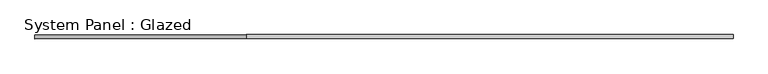
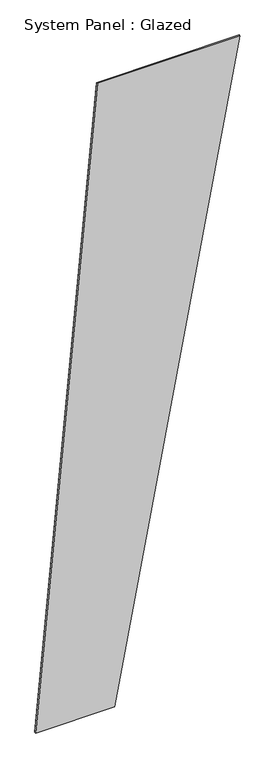
"""IFC4 building model written with IfcOpenShell, lengths in millimetres: plate geometry, System Panel : Glazed."""

import ifcopenshell
import ifcopenshell.guid

model = None  # the IFC model being written
_history = None  # IfcOwnerHistory: only IFC2X3 demands one
_inside = {}  # id of a spatial element -> (the spatial element, [elements in it])
_under = {}  # id of a project, library or spatial element -> (it, [spatial elements below it])
_declared = {}  # id of a project -> (the project, [libraries it declares])
_typed = {}  # id of a type object -> (the type object, [elements of that type])
_made_of = {}  # id of a material, layer set ... -> (it, [elements and type objects made of it])


def new_model(schema):
    """Start an empty IFC model of exactly this schema.

    Asked for "IFC4X3", IfcOpenShell would pick the latest addendum, in which some entities
    have other attributes; the version numbers below select the first issue.
    IFC2X3 requires an IfcOwnerHistory on every rooted entity: one is made here for all.
    """
    global model, _history
    if schema == "IFC4X3":
        model = ifcopenshell.file(schema_version=(4, 3, 0, 0))
    else:
        model = ifcopenshell.file(schema=schema)
    _inside.clear()
    _under.clear()
    _declared.clear()
    _typed.clear()
    _made_of.clear()
    _history = None
    if model.schema == "IFC2X3":
        org = make("IfcOrganization", Name="unknown")
        user = make(
            "IfcPersonAndOrganization",
            ThePerson=make("IfcPerson", FamilyName="unknown"),
            TheOrganization=org,
        )
        app = make(
            "IfcApplication",
            ApplicationDeveloper=org,
            Version="unknown",
            ApplicationFullName="unknown",
            ApplicationIdentifier="unknown",
        )
        _history = make(
            "IfcOwnerHistory",
            OwningUser=user,
            OwningApplication=app,
            ChangeAction="ADDED",
            CreationDate=0,
        )
    return model


def make(cls, **values):
    """One entity of the class cls with the attributes given. An attribute that is None is left unset."""
    return model.create_entity(
        cls, **{name: value for name, value in values.items() if value is not None}
    )


def rooted(cls, **values):
    """An entity with a GlobalId (a new one), such as an element, a storey or a relation."""
    return make(cls, GlobalId=ifcopenshell.guid.new(), OwnerHistory=_history, **values)


def si_unit(unit_type, name, prefix=None):
    """IfcSIUnit, for example si_unit("LENGTHUNIT", "METRE", prefix="MILLI")."""
    return make("IfcSIUnit", UnitType=unit_type, Prefix=prefix, Name=name)


def assignment(units):
    """IfcUnitAssignment: the units of a project."""
    return None if units is None else make("IfcUnitAssignment", Units=units)


def point(xyz):
    """IfcCartesianPoint."""
    return None if xyz is None else make("IfcCartesianPoint", Coordinates=xyz)


def direction(xyz):
    """IfcDirection."""
    return None if xyz is None else make("IfcDirection", DirectionRatios=xyz)


def frame(location, z_axis=None, x_axis=None):
    """IfcAxis2Placement3D, a coordinate frame: its origin and axes. An axis left out is left unset."""
    return make(
        "IfcAxis2Placement3D",
        Location=point(location),
        Axis=direction(z_axis),
        RefDirection=direction(x_axis),
    )


def origin():
    """The frame at (0, 0, 0) with its axes left unset."""
    return frame((0.0, 0.0, 0.0))


def place(relative_to, where):
    """IfcLocalPlacement: puts the frame where relative to a parent placement (None: the world)."""
    return make(
        "IfcLocalPlacement", PlacementRelTo=relative_to, RelativePlacement=where
    )


def context(
    kind, dimensions, precision=None, world=None, true_north=None, identifier=None
):
    """IfcGeometricRepresentationContext, for example the 3D "Model" context."""
    return make(
        "IfcGeometricRepresentationContext",
        ContextIdentifier=identifier,
        ContextType=kind,
        CoordinateSpaceDimension=dimensions,
        Precision=precision,
        WorldCoordinateSystem=world,
        TrueNorth=true_north,
    )


def project(units=None, contexts=None):
    """IfcProject with its units and contexts."""
    return rooted(
        "IfcProject",
        Name="project",
        RepresentationContexts=contexts,
        UnitsInContext=assignment(units),
    )


def spatial(cls, under=None, at=None, **own):
    """A site, building, storey or space (cls), placed at a placement, below another one or the project."""
    s = rooted(cls, ObjectPlacement=at, **own)
    if under is not None:
        _under.setdefault(under.id(), (under, []))[1].append(s)
    return s


def polyline(points):
    """IfcPolyline through the points."""
    return make("IfcPolyline", Points=[point(p) for p in points])


def outline(outer, holes=None, kind="AREA"):
    """IfcArbitraryClosedProfileDef: a profile drawn as a closed curve; with holes, ...WithVoids."""
    if holes is None:
        return make("IfcArbitraryClosedProfileDef", ProfileType=kind, OuterCurve=outer)
    return make(
        "IfcArbitraryProfileDefWithVoids",
        ProfileType=kind,
        OuterCurve=outer,
        InnerCurves=holes,
    )


def extrude(swept, where, along, depth):
    """IfcExtrudedAreaSolid: the profile swept, set in the frame where, extruded along a direction by depth."""
    return make(
        "IfcExtrudedAreaSolid",
        SweptArea=swept,
        Position=where,
        ExtrudedDirection=direction(along),
        Depth=depth,
    )


def shape(context_of_items, identifier, shape_type, items):
    """IfcShapeRepresentation: the items that make up one representation, for example the "Body"."""
    return make(
        "IfcShapeRepresentation",
        ContextOfItems=context_of_items,
        RepresentationIdentifier=identifier,
        RepresentationType=shape_type,
        Items=items,
    )


def source(mapping_origin, context_of_items, identifier, shape_type, items):
    """IfcRepresentationMap: a shape defined once, which mapped items show again and again."""
    return make(
        "IfcRepresentationMap",
        MappingOrigin=mapping_origin,
        MappedRepresentation=shape(context_of_items, identifier, shape_type, items),
    )


def transform(
    local_origin,
    x_axis=None,
    y_axis=None,
    z_axis=None,
    scale=None,
    scale2=None,
    scale3=None,
    uniform=True,
):
    """IfcCartesianTransformationOperator3D, or its non-uniform kind. x_axis, y_axis, z_axis: its Axis1, 2, 3."""
    if uniform:
        return make(
            "IfcCartesianTransformationOperator3D",
            Axis1=direction(x_axis),
            Axis2=direction(y_axis),
            LocalOrigin=point(local_origin),
            Scale=scale,
            Axis3=direction(z_axis),
        )
    return make(
        "IfcCartesianTransformationOperator3DnonUniform",
        Axis1=direction(x_axis),
        Axis2=direction(y_axis),
        LocalOrigin=point(local_origin),
        Scale=scale,
        Axis3=direction(z_axis),
        Scale2=scale2,
        Scale3=scale3,
    )


def mapped(mapping_source, mapping_target):
    """IfcMappedItem: shows the shape of a source again, moved by a transform."""
    return make(
        "IfcMappedItem", MappingSource=mapping_source, MappingTarget=mapping_target
    )


def made_of(thing, what):
    """Note that an element or type object is made of a material, layer set ...; save() writes the relation."""
    if what is not None:
        _made_of.setdefault(what.id(), (what, []))[1].append(thing)
    return thing


def element(
    cls,
    number,
    at=None,
    inside=None,
    cuts=None,
    type_object=None,
    material=None,
    context=None,
    identifier="Body",
    shape_type=None,
    held_by="IfcProductDefinitionShape",
    body=None,
    shapes=None,
    **own,
):
    """One element of the class cls, such as IfcWall. Its Tag is "e" and its number.

    at: its placement. inside: the storey or other place that contains it. cuts: it is an
    opening in that element (IfcRelVoidsElement). A single representation is given by context,
    identifier, shape_type and body (its items); several are given by shapes. held_by: the class
    of the entity that holds the representations. save() writes the other relations.
    """
    e = rooted(cls, Tag="e%d" % number, ObjectPlacement=at, **own)
    if body is not None:
        shapes = [shape(context, identifier, shape_type, body)]
    if shapes is not None:
        e.Representation = make(held_by, Representations=shapes)
    if inside is not None:
        _inside.setdefault(inside.id(), (inside, []))[1].append(e)
    if cuts is not None:
        rooted(
            "IfcRelVoidsElement", RelatingBuildingElement=cuts, RelatedOpeningElement=e
        )
    if type_object is not None:
        _typed.setdefault(type_object.id(), (type_object, []))[1].append(e)
    return made_of(e, material)


def aggregate(whole, parts):
    """IfcRelAggregates: a whole, such as a stair, and the parts it consists of."""
    return rooted("IfcRelAggregates", RelatingObject=whole, RelatedObjects=parts)


def save(model, path):
    """Write the relations noted so far, then the file.

    IfcRelAggregates (storeys below a building ...), IfcRelContainedInSpatialStructure (elements
    in a storey), IfcRelDefinesByType, IfcRelAssociatesMaterial and IfcRelDeclares: one each for
    every whole, place, type object, material and project.
    """
    for whole, parts in _under.values():
        aggregate(whole, parts)
    for where, things in _inside.values():
        rooted(
            "IfcRelContainedInSpatialStructure",
            RelatedElements=things,
            RelatingStructure=where,
        )
    for kind, things in _typed.values():
        rooted("IfcRelDefinesByType", RelatedObjects=things, RelatingType=kind)
    for what, things in _made_of.values():
        rooted("IfcRelAssociatesMaterial", RelatedObjects=things, RelatingMaterial=what)
    for by, libraries in _declared.values():
        rooted("IfcRelDeclares", RelatingContext=by, RelatedDefinitions=libraries)
    model.write(path)


def system_panel_glazed_163979a1(model_context):
    return source(origin(), model_context, "Body", "SweptSolid", [
        extrude(outline(polyline([(0.0, -2159.8671032), (0.0, -486.0910716), (14034.7356109, 2159.8671032), (14022.7797276, -853.7294903), (0.0, -2159.8671032)])), frame((0.0, -77.5, 0.0), z_axis=(0.0, 1.0, 0.0), x_axis=(0.0, 0.0, 1.0)), (0.0, 0.0, 1.0), 25.0),
    ])


if __name__ == "__main__":
    model = new_model("IFC4")
    model_context = context("Model", 3, world=origin())
    ifc_project = project(units=[si_unit("LENGTHUNIT", "METRE", prefix="MILLI")], contexts=[model_context])
    site = spatial("IfcSite", under=ifc_project)
    building = spatial("IfcBuilding", under=site)
    placement = place(None, origin())
    system_panel_glazed_shape = system_panel_glazed_163979a1(model_context)
    element("IfcPlate", 1, ObjectType="System Panel : Glazed", at=placement, inside=building, context=model_context, shape_type="MappedRepresentation", body=[
        mapped(system_panel_glazed_shape, transform((0.0, 0.0, 0.0), x_axis=(1.0, 0.0, 0.0), y_axis=(0.0, 1.0, 0.0), z_axis=(0.0, 0.0, 1.0))),
    ])
    save(model, "model.ifc")
